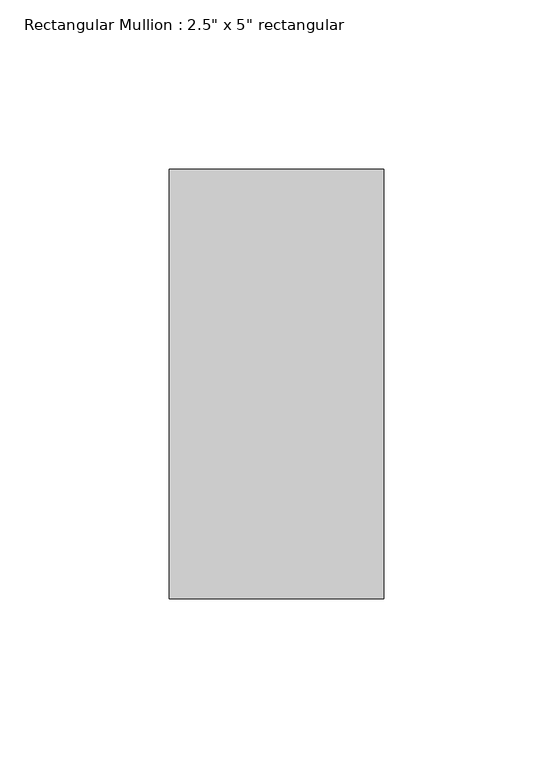
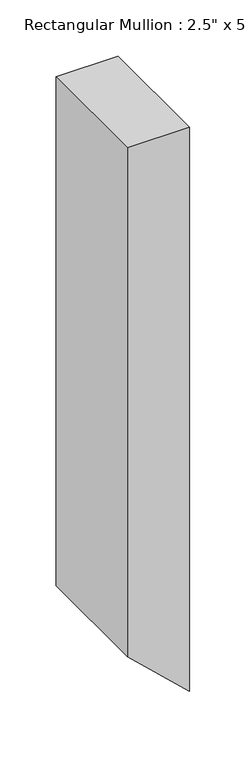
"""IFC4 building model written with IfcOpenShell, lengths in millimetres: member geometry."""

import ifcopenshell
import ifcopenshell.guid

model = None  # the IFC model being written
_history = None  # IfcOwnerHistory: only IFC2X3 demands one
_inside = {}  # id of a spatial element -> (the spatial element, [elements in it])
_under = {}  # id of a project, library or spatial element -> (it, [spatial elements below it])
_declared = {}  # id of a project -> (the project, [libraries it declares])
_typed = {}  # id of a type object -> (the type object, [elements of that type])
_made_of = {}  # id of a material, layer set ... -> (it, [elements and type objects made of it])


def new_model(schema):
    """Start an empty IFC model of exactly this schema.

    Asked for "IFC4X3", IfcOpenShell would pick the latest addendum, in which some entities
    have other attributes; the version numbers below select the first issue.
    IFC2X3 requires an IfcOwnerHistory on every rooted entity: one is made here for all.
    """
    global model, _history
    if schema == "IFC4X3":
        model = ifcopenshell.file(schema_version=(4, 3, 0, 0))
    else:
        model = ifcopenshell.file(schema=schema)
    _inside.clear()
    _under.clear()
    _declared.clear()
    _typed.clear()
    _made_of.clear()
    _history = None
    if model.schema == "IFC2X3":
        org = make("IfcOrganization", Name="unknown")
        user = make(
            "IfcPersonAndOrganization",
            ThePerson=make("IfcPerson", FamilyName="unknown"),
            TheOrganization=org,
        )
        app = make(
            "IfcApplication",
            ApplicationDeveloper=org,
            Version="unknown",
            ApplicationFullName="unknown",
            ApplicationIdentifier="unknown",
        )
        _history = make(
            "IfcOwnerHistory",
            OwningUser=user,
            OwningApplication=app,
            ChangeAction="ADDED",
            CreationDate=0,
        )
    return model


def make(cls, **values):
    """One entity of the class cls with the attributes given. An attribute that is None is left unset."""
    return model.create_entity(
        cls, **{name: value for name, value in values.items() if value is not None}
    )


def rooted(cls, **values):
    """An entity with a GlobalId (a new one), such as an element, a storey or a relation."""
    return make(cls, GlobalId=ifcopenshell.guid.new(), OwnerHistory=_history, **values)


def si_unit(unit_type, name, prefix=None):
    """IfcSIUnit, for example si_unit("LENGTHUNIT", "METRE", prefix="MILLI")."""
    return make("IfcSIUnit", UnitType=unit_type, Prefix=prefix, Name=name)


def assignment(units):
    """IfcUnitAssignment: the units of a project."""
    return None if units is None else make("IfcUnitAssignment", Units=units)


def point(xyz):
    """IfcCartesianPoint."""
    return None if xyz is None else make("IfcCartesianPoint", Coordinates=xyz)


def direction(xyz):
    """IfcDirection."""
    return None if xyz is None else make("IfcDirection", DirectionRatios=xyz)


def frame(location, z_axis=None, x_axis=None):
    """IfcAxis2Placement3D, a coordinate frame: its origin and axes. An axis left out is left unset."""
    return make(
        "IfcAxis2Placement3D",
        Location=point(location),
        Axis=direction(z_axis),
        RefDirection=direction(x_axis),
    )


def origin():
    """The frame at (0, 0, 0) with its axes left unset."""
    return frame((0.0, 0.0, 0.0))


def place(relative_to, where):
    """IfcLocalPlacement: puts the frame where relative to a parent placement (None: the world)."""
    return make(
        "IfcLocalPlacement", PlacementRelTo=relative_to, RelativePlacement=where
    )


def context(
    kind, dimensions, precision=None, world=None, true_north=None, identifier=None
):
    """IfcGeometricRepresentationContext, for example the 3D "Model" context."""
    return make(
        "IfcGeometricRepresentationContext",
        ContextIdentifier=identifier,
        ContextType=kind,
        CoordinateSpaceDimension=dimensions,
        Precision=precision,
        WorldCoordinateSystem=world,
        TrueNorth=true_north,
    )


def project(units=None, contexts=None):
    """IfcProject with its units and contexts."""
    return rooted(
        "IfcProject",
        Name="project",
        RepresentationContexts=contexts,
        UnitsInContext=assignment(units),
    )


def spatial(cls, under=None, at=None, **own):
    """A site, building, storey or space (cls), placed at a placement, below another one or the project."""
    s = rooted(cls, ObjectPlacement=at, **own)
    if under is not None:
        _under.setdefault(under.id(), (under, []))[1].append(s)
    return s


def polyline(points):
    """IfcPolyline through the points."""
    return make("IfcPolyline", Points=[point(p) for p in points])


def outline(outer, holes=None, kind="AREA"):
    """IfcArbitraryClosedProfileDef: a profile drawn as a closed curve; with holes, ...WithVoids."""
    if holes is None:
        return make("IfcArbitraryClosedProfileDef", ProfileType=kind, OuterCurve=outer)
    return make(
        "IfcArbitraryProfileDefWithVoids",
        ProfileType=kind,
        OuterCurve=outer,
        InnerCurves=holes,
    )


def extrude(swept, where, along, depth):
    """IfcExtrudedAreaSolid: the profile swept, set in the frame where, extruded along a direction by depth."""
    return make(
        "IfcExtrudedAreaSolid",
        SweptArea=swept,
        Position=where,
        ExtrudedDirection=direction(along),
        Depth=depth,
    )


def shape(context_of_items, identifier, shape_type, items):
    """IfcShapeRepresentation: the items that make up one representation, for example the "Body"."""
    return make(
        "IfcShapeRepresentation",
        ContextOfItems=context_of_items,
        RepresentationIdentifier=identifier,
        RepresentationType=shape_type,
        Items=items,
    )


def source(mapping_origin, context_of_items, identifier, shape_type, items):
    """IfcRepresentationMap: a shape defined once, which mapped items show again and again."""
    return make(
        "IfcRepresentationMap",
        MappingOrigin=mapping_origin,
        MappedRepresentation=shape(context_of_items, identifier, shape_type, items),
    )


def transform(
    local_origin,
    x_axis=None,
    y_axis=None,
    z_axis=None,
    scale=None,
    scale2=None,
    scale3=None,
    uniform=True,
):
    """IfcCartesianTransformationOperator3D, or its non-uniform kind. x_axis, y_axis, z_axis: its Axis1, 2, 3."""
    if uniform:
        return make(
            "IfcCartesianTransformationOperator3D",
            Axis1=direction(x_axis),
            Axis2=direction(y_axis),
            LocalOrigin=point(local_origin),
            Scale=scale,
            Axis3=direction(z_axis),
        )
    return make(
        "IfcCartesianTransformationOperator3DnonUniform",
        Axis1=direction(x_axis),
        Axis2=direction(y_axis),
        LocalOrigin=point(local_origin),
        Scale=scale,
        Axis3=direction(z_axis),
        Scale2=scale2,
        Scale3=scale3,
    )


def mapped(mapping_source, mapping_target):
    """IfcMappedItem: shows the shape of a source again, moved by a transform."""
    return make(
        "IfcMappedItem", MappingSource=mapping_source, MappingTarget=mapping_target
    )


def made_of(thing, what):
    """Note that an element or type object is made of a material, layer set ...; save() writes the relation."""
    if what is not None:
        _made_of.setdefault(what.id(), (what, []))[1].append(thing)
    return thing


def element(
    cls,
    number,
    at=None,
    inside=None,
    cuts=None,
    type_object=None,
    material=None,
    context=None,
    identifier="Body",
    shape_type=None,
    held_by="IfcProductDefinitionShape",
    body=None,
    shapes=None,
    **own,
):
    """One element of the class cls, such as IfcWall. Its Tag is "e" and its number.

    at: its placement. inside: the storey or other place that contains it. cuts: it is an
    opening in that element (IfcRelVoidsElement). A single representation is given by context,
    identifier, shape_type and body (its items); several are given by shapes. held_by: the class
    of the entity that holds the representations. save() writes the other relations.
    """
    e = rooted(cls, Tag="e%d" % number, ObjectPlacement=at, **own)
    if body is not None:
        shapes = [shape(context, identifier, shape_type, body)]
    if shapes is not None:
        e.Representation = make(held_by, Representations=shapes)
    if inside is not None:
        _inside.setdefault(inside.id(), (inside, []))[1].append(e)
    if cuts is not None:
        rooted(
            "IfcRelVoidsElement", RelatingBuildingElement=cuts, RelatedOpeningElement=e
        )
    if type_object is not None:
        _typed.setdefault(type_object.id(), (type_object, []))[1].append(e)
    return made_of(e, material)


def aggregate(whole, parts):
    """IfcRelAggregates: a whole, such as a stair, and the parts it consists of."""
    return rooted("IfcRelAggregates", RelatingObject=whole, RelatedObjects=parts)


def save(model, path):
    """Write the relations noted so far, then the file.

    IfcRelAggregates (storeys below a building ...), IfcRelContainedInSpatialStructure (elements
    in a storey), IfcRelDefinesByType, IfcRelAssociatesMaterial and IfcRelDeclares: one each for
    every whole, place, type object, material and project.
    """
    for whole, parts in _under.values():
        aggregate(whole, parts)
    for where, things in _inside.values():
        rooted(
            "IfcRelContainedInSpatialStructure",
            RelatedElements=things,
            RelatingStructure=where,
        )
    for kind, things in _typed.values():
        rooted("IfcRelDefinesByType", RelatedObjects=things, RelatingType=kind)
    for what, things in _made_of.values():
        rooted("IfcRelAssociatesMaterial", RelatedObjects=things, RelatingMaterial=what)
    for by, libraries in _declared.values():
        rooted("IfcRelDeclares", RelatingContext=by, RelatedDefinitions=libraries)
    model.write(path)


def member_649c3931(model_context):
    return source(origin(), model_context, "Body", "SweptSolid", [
        extrude(outline(polyline([(0.0, 0.0), (0.0011099, -63.5), (-551.4767232, -63.5), (-610.9253016, 0.0), (0.0, 0.0)])), frame((0.0, -63.5, 0.0), z_axis=(0.0, 1.0, 0.0), x_axis=(0.0, 0.0, 1.0)), (0.0, 0.0, 1.0), 127.0),
    ])


if __name__ == "__main__":
    model = new_model("IFC4")
    model_context = context("Model", 3, world=origin())
    ifc_project = project(units=[si_unit("LENGTHUNIT", "METRE", prefix="MILLI")], contexts=[model_context])
    site = spatial("IfcSite", under=ifc_project)
    building = spatial("IfcBuilding", under=site)
    placement = place(None, origin())
    member_shape = member_649c3931(model_context)
    element("IfcMember", 1, ObjectType="Rectangular Mullion : 2.5\" x 5\" rectangular", at=placement, inside=building, context=model_context, shape_type="MappedRepresentation", body=[
        mapped(member_shape, transform((0.0, 0.0, 0.0), x_axis=(1.0, 0.0, 0.0), y_axis=(0.0, 1.0, 0.0), z_axis=(0.0, 0.0, 1.0))),
    ])
    save(model, "model.ifc")
